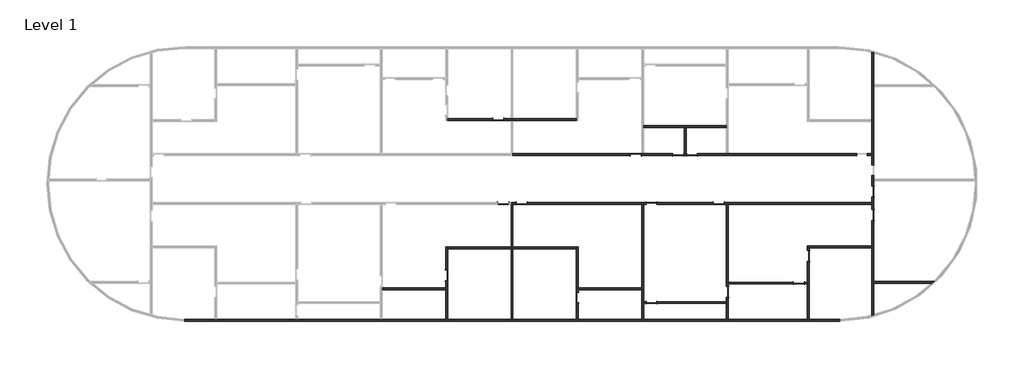
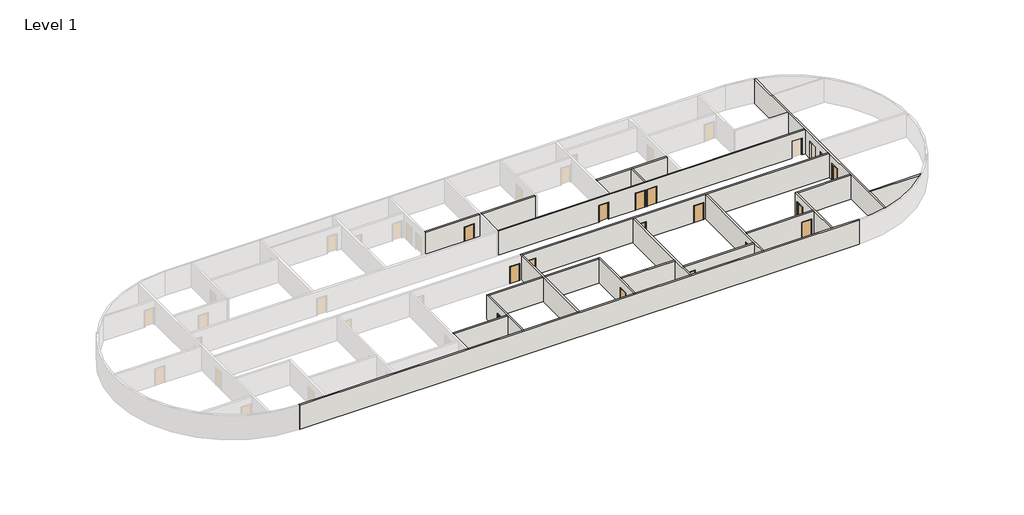
# One storey, part 2 of 3: 22 walls, 16 doors.
"""IFC4 building model written with IfcOpenShell, lengths in millimetres."""

import ifcopenshell
import ifcopenshell.guid

model = None  # the IFC model being written
_history = None  # IfcOwnerHistory: only IFC2X3 demands one
_inside = {}  # id of a spatial element -> (the spatial element, [elements in it])
_under = {}  # id of a project, library or spatial element -> (it, [spatial elements below it])
_declared = {}  # id of a project -> (the project, [libraries it declares])
_typed = {}  # id of a type object -> (the type object, [elements of that type])
_made_of = {}  # id of a material, layer set ... -> (it, [elements and type objects made of it])


def new_model(schema):
    """Start an empty IFC model of exactly this schema.

    Asked for "IFC4X3", IfcOpenShell would pick the latest addendum, in which some entities
    have other attributes; the version numbers below select the first issue.
    IFC2X3 requires an IfcOwnerHistory on every rooted entity: one is made here for all.
    """
    global model, _history
    if schema == "IFC4X3":
        model = ifcopenshell.file(schema_version=(4, 3, 0, 0))
    else:
        model = ifcopenshell.file(schema=schema)
    _inside.clear()
    _under.clear()
    _declared.clear()
    _typed.clear()
    _made_of.clear()
    _history = None
    if model.schema == "IFC2X3":
        org = make("IfcOrganization", Name="unknown")
        user = make(
            "IfcPersonAndOrganization",
            ThePerson=make("IfcPerson", FamilyName="unknown"),
            TheOrganization=org,
        )
        app = make(
            "IfcApplication",
            ApplicationDeveloper=org,
            Version="unknown",
            ApplicationFullName="unknown",
            ApplicationIdentifier="unknown",
        )
        _history = make(
            "IfcOwnerHistory",
            OwningUser=user,
            OwningApplication=app,
            ChangeAction="ADDED",
            CreationDate=0,
        )
    return model


def make(cls, **values):
    """One entity of the class cls with the attributes given. An attribute that is None is left unset."""
    return model.create_entity(
        cls, **{name: value for name, value in values.items() if value is not None}
    )


def rooted(cls, **values):
    """An entity with a GlobalId (a new one), such as an element, a storey or a relation."""
    return make(cls, GlobalId=ifcopenshell.guid.new(), OwnerHistory=_history, **values)


def si_unit(unit_type, name, prefix=None):
    """IfcSIUnit, for example si_unit("LENGTHUNIT", "METRE", prefix="MILLI")."""
    return make("IfcSIUnit", UnitType=unit_type, Prefix=prefix, Name=name)


def assignment(units):
    """IfcUnitAssignment: the units of a project."""
    return None if units is None else make("IfcUnitAssignment", Units=units)


def point(xyz):
    """IfcCartesianPoint."""
    return None if xyz is None else make("IfcCartesianPoint", Coordinates=xyz)


def direction(xyz):
    """IfcDirection."""
    return None if xyz is None else make("IfcDirection", DirectionRatios=xyz)


def frame(location, z_axis=None, x_axis=None):
    """IfcAxis2Placement3D, a coordinate frame: its origin and axes. An axis left out is left unset."""
    return make(
        "IfcAxis2Placement3D",
        Location=point(location),
        Axis=direction(z_axis),
        RefDirection=direction(x_axis),
    )


def frame_2d(location, x_axis=None):
    """IfcAxis2Placement2D, a coordinate frame in the plane: its origin and x axis."""
    return make(
        "IfcAxis2Placement2D", Location=point(location), RefDirection=direction(x_axis)
    )


def origin():
    """The frame at (0, 0, 0) with its axes left unset."""
    return frame((0.0, 0.0, 0.0))


def origin_with_axes():
    """The frame at (0, 0, 0) with the z axis (0, 0, 1) and the x axis (1, 0, 0) written out."""
    return frame((0.0, 0.0, 0.0), z_axis=(0.0, 0.0, 1.0), x_axis=(1.0, 0.0, 0.0))


def place(relative_to, where):
    """IfcLocalPlacement: puts the frame where relative to a parent placement (None: the world)."""
    return make(
        "IfcLocalPlacement", PlacementRelTo=relative_to, RelativePlacement=where
    )


def context(
    kind, dimensions, precision=None, world=None, true_north=None, identifier=None
):
    """IfcGeometricRepresentationContext, for example the 3D "Model" context."""
    return make(
        "IfcGeometricRepresentationContext",
        ContextIdentifier=identifier,
        ContextType=kind,
        CoordinateSpaceDimension=dimensions,
        Precision=precision,
        WorldCoordinateSystem=world,
        TrueNorth=true_north,
    )


def project(units=None, contexts=None):
    """IfcProject with its units and contexts."""
    return rooted(
        "IfcProject",
        Name="project",
        RepresentationContexts=contexts,
        UnitsInContext=assignment(units),
    )


def spatial(cls, under=None, at=None, **own):
    """A site, building, storey or space (cls), placed at a placement, below another one or the project."""
    s = rooted(cls, ObjectPlacement=at, **own)
    if under is not None:
        _under.setdefault(under.id(), (under, []))[1].append(s)
    return s


def polyline(points):
    """IfcPolyline through the points."""
    return make("IfcPolyline", Points=[point(p) for p in points])


def circle_curve(where, radius):
    """IfcCircle in the frame where."""
    return make("IfcCircle", Position=where, Radius=radius)


def trimmed(basis, trim1, trim2, sense, master):
    """IfcTrimmedCurve: the piece of a basis curve between two trims."""
    return make(
        "IfcTrimmedCurve",
        BasisCurve=basis,
        Trim1=trim1,
        Trim2=trim2,
        SenseAgreement=sense,
        MasterRepresentation=master,
    )


def segment(curve, same_sense, transition):
    """IfcCompositeCurveSegment."""
    return make(
        "IfcCompositeCurveSegment",
        Transition=transition,
        SameSense=same_sense,
        ParentCurve=curve,
    )


def composite_curve(segments, self_intersect=None):
    """IfcCompositeCurve: segments joined end to end."""
    return make("IfcCompositeCurve", Segments=segments, SelfIntersect=self_intersect)


def outline(outer, holes=None, kind="AREA"):
    """IfcArbitraryClosedProfileDef: a profile drawn as a closed curve; with holes, ...WithVoids."""
    if holes is None:
        return make("IfcArbitraryClosedProfileDef", ProfileType=kind, OuterCurve=outer)
    return make(
        "IfcArbitraryProfileDefWithVoids",
        ProfileType=kind,
        OuterCurve=outer,
        InnerCurves=holes,
    )


def extrude(swept, where, along, depth):
    """IfcExtrudedAreaSolid: the profile swept, set in the frame where, extruded along a direction by depth."""
    return make(
        "IfcExtrudedAreaSolid",
        SweptArea=swept,
        Position=where,
        ExtrudedDirection=direction(along),
        Depth=depth,
    )


def faces_of(points, faces, orient=None, outer=None):
    """IfcFace entities. A face is a list of loops; a loop is a list of indices into points, from 0.

    orient and outer hold one flag for each loop. By default every Orientation is true, the
    first loop of a face is its IfcFaceOuterBound and the others are IfcFaceBound.
    """
    made = []
    for i, loops in enumerate(faces):
        bounds = []
        for j, loop in enumerate(loops):
            is_outer = j == 0 if outer is None else outer[i][j]
            bounds.append(
                make(
                    "IfcFaceOuterBound" if is_outer else "IfcFaceBound",
                    Bound=make("IfcPolyLoop", Polygon=[points[k] for k in loop]),
                    Orientation=True if orient is None else orient[i][j],
                )
            )
        made.append(make("IfcFace", Bounds=bounds))
    return made


def faceted_brep(points, faces, orient=None, outer=None, voids=None):
    """IfcFacetedBrep: a solid bounded by flat faces; with voids (closed shells), ...WithVoids."""
    shared = [point(p) for p in points]
    hull = make("IfcClosedShell", CfsFaces=faces_of(shared, faces, orient, outer))
    if voids is None:
        return make("IfcFacetedBrep", Outer=hull)
    return make(
        "IfcFacetedBrepWithVoids",
        Outer=hull,
        Voids=[
            make(cls, CfsFaces=faces_of(shared, fs, o, b)) for cls, fs, o, b in voids
        ],
    )


def shape(context_of_items, identifier, shape_type, items):
    """IfcShapeRepresentation: the items that make up one representation, for example the "Body"."""
    return make(
        "IfcShapeRepresentation",
        ContextOfItems=context_of_items,
        RepresentationIdentifier=identifier,
        RepresentationType=shape_type,
        Items=items,
    )


def source(mapping_origin, context_of_items, identifier, shape_type, items):
    """IfcRepresentationMap: a shape defined once, which mapped items show again and again."""
    return make(
        "IfcRepresentationMap",
        MappingOrigin=mapping_origin,
        MappedRepresentation=shape(context_of_items, identifier, shape_type, items),
    )


def transform(
    local_origin,
    x_axis=None,
    y_axis=None,
    z_axis=None,
    scale=None,
    scale2=None,
    scale3=None,
    uniform=True,
):
    """IfcCartesianTransformationOperator3D, or its non-uniform kind. x_axis, y_axis, z_axis: its Axis1, 2, 3."""
    if uniform:
        return make(
            "IfcCartesianTransformationOperator3D",
            Axis1=direction(x_axis),
            Axis2=direction(y_axis),
            LocalOrigin=point(local_origin),
            Scale=scale,
            Axis3=direction(z_axis),
        )
    return make(
        "IfcCartesianTransformationOperator3DnonUniform",
        Axis1=direction(x_axis),
        Axis2=direction(y_axis),
        LocalOrigin=point(local_origin),
        Scale=scale,
        Axis3=direction(z_axis),
        Scale2=scale2,
        Scale3=scale3,
    )


def mapped(mapping_source, mapping_target):
    """IfcMappedItem: shows the shape of a source again, moved by a transform."""
    return make(
        "IfcMappedItem", MappingSource=mapping_source, MappingTarget=mapping_target
    )


def made_of(thing, what):
    """Note that an element or type object is made of a material, layer set ...; save() writes the relation."""
    if what is not None:
        _made_of.setdefault(what.id(), (what, []))[1].append(thing)
    return thing


def element(
    cls,
    number,
    at=None,
    inside=None,
    cuts=None,
    type_object=None,
    material=None,
    context=None,
    identifier="Body",
    shape_type=None,
    held_by="IfcProductDefinitionShape",
    body=None,
    shapes=None,
    **own,
):
    """One element of the class cls, such as IfcWall. Its Tag is "e" and its number.

    at: its placement. inside: the storey or other place that contains it. cuts: it is an
    opening in that element (IfcRelVoidsElement). A single representation is given by context,
    identifier, shape_type and body (its items); several are given by shapes. held_by: the class
    of the entity that holds the representations. save() writes the other relations.
    """
    e = rooted(cls, Tag="e%d" % number, ObjectPlacement=at, **own)
    if body is not None:
        shapes = [shape(context, identifier, shape_type, body)]
    if shapes is not None:
        e.Representation = make(held_by, Representations=shapes)
    if inside is not None:
        _inside.setdefault(inside.id(), (inside, []))[1].append(e)
    if cuts is not None:
        rooted(
            "IfcRelVoidsElement", RelatingBuildingElement=cuts, RelatedOpeningElement=e
        )
    if type_object is not None:
        _typed.setdefault(type_object.id(), (type_object, []))[1].append(e)
    return made_of(e, material)


def aggregate(whole, parts):
    """IfcRelAggregates: a whole, such as a stair, and the parts it consists of."""
    return rooted("IfcRelAggregates", RelatingObject=whole, RelatedObjects=parts)


def save(model, path):
    """Write the relations noted so far, then the file.

    IfcRelAggregates (storeys below a building ...), IfcRelContainedInSpatialStructure (elements
    in a storey), IfcRelDefinesByType, IfcRelAssociatesMaterial and IfcRelDeclares: one each for
    every whole, place, type object, material and project.
    """
    for whole, parts in _under.values():
        aggregate(whole, parts)
    for where, things in _inside.values():
        rooted(
            "IfcRelContainedInSpatialStructure",
            RelatedElements=things,
            RelatingStructure=where,
        )
    for kind, things in _typed.values():
        rooted("IfcRelDefinesByType", RelatedObjects=things, RelatingType=kind)
    for what, things in _made_of.values():
        rooted("IfcRelAssociatesMaterial", RelatedObjects=things, RelatingMaterial=what)
    for by, libraries in _declared.values():
        rooted("IfcRelDeclares", RelatingContext=by, RelatedDefinitions=libraries)
    model.write(path)


def plane_surface(at):
    """IfcPlane: the flat surface through the origin of the frame at, square to its z axis."""
    return make("IfcPlane", Position=at)


def cylinder_surface(at, radius):
    """IfcCylindricalSurface: all points at the distance radius from the z axis of the frame at."""
    return make("IfcCylindricalSurface", Position=at, Radius=radius)


def advanced_brep(points, edges, surfaces, faces):
    """IfcAdvancedBrep: a solid bounded by faces that lie on surfaces and meet in shared edges.

    An edge is (start, end): straight between two places in points (the first is 0);
    or (start, end, curve); or (start, end, curve, False) where it runs against its curve.
    A face is (place in surfaces, loops), or (place, loops, False) where it looks against
    its surface's normal. A loop lists edges by number (the first is 1), with a minus sign
    where the edge is run from its end to its start. The first loop is the outer one.
    """
    corners = [point(p) for p in points]
    vertices = [make("IfcVertexPoint", VertexGeometry=c) for c in corners]
    made = []
    for start, end, *more in edges:
        made.append(
            make(
                "IfcEdgeCurve",
                EdgeStart=vertices[start],
                EdgeEnd=vertices[end],
                EdgeGeometry=more[0] if more else make("IfcPolyline", Points=[corners[start], corners[end]]),
                SameSense=more[1] if len(more) > 1 else True,
            )
        )
    hull = []
    for where, loops, *sense in faces:
        bounds = []
        for j, loop in enumerate(loops):
            ring = [make("IfcOrientedEdge", EdgeElement=made[abs(k) - 1], Orientation=k > 0) for k in loop]
            bounds.append(
                make(
                    "IfcFaceOuterBound" if j == 0 else "IfcFaceBound",
                    Bound=make("IfcEdgeLoop", EdgeList=ring),
                    Orientation=True,
                )
            )
        hull.append(make("IfcAdvancedFace", Bounds=bounds, FaceSurface=surfaces[where], SameSense=sense[0] if sense else True))
    return make("IfcAdvancedBrep", Outer=make("IfcClosedShell", CfsFaces=hull))


def door_1100x2100_mm_18792538(model_context):
    return source(origin(), model_context, "Body", "SweptSolid", [
        extrude(outline(polyline([(2150.0, -600.0), (0.0, -600.0), (0.0, -550.0), (2100.0, -550.0), (2100.0, 550.0), (0.0, 550.0), (0.0, 600.0), (2150.0, 600.0), (2150.0, -600.0)])), frame((0.0, 101.6, 0.0), z_axis=(0.0, 1.0, 0.0), x_axis=(0.0, 0.0, 1.0)), (0.0, 0.0, 1.0), 25.0),
        extrude(outline(polyline([(2150.0, 600.0), (2150.0, -600.0), (0.0, -600.0), (0.0, -550.0), (2100.0, -550.0), (2100.0, 550.0), (0.0, 550.0), (0.0, 600.0), (2150.0, 600.0)])), frame((0.0, -126.6, 0.0), z_axis=(0.0, 1.0, 0.0), x_axis=(0.0, 0.0, 1.0)), (0.0, 0.0, 1.0), 25.0),
        extrude(outline(polyline([(550.0, 50.6), (-550.0, 50.6), (-550.0, 101.6), (550.0, 101.6), (550.0, 50.6)])), origin_with_axes(), (0.0, 0.0, 1.0), 2100.0),
    ])


def door_1100x2100_mm_00e273c1(model_context):
    return source(origin(), model_context, "Body", "SweptSolid", [
        extrude(outline(polyline([(2150.0, -600.0), (0.0, -600.0), (0.0, -550.0), (2100.0, -550.0), (2100.0, 550.0), (0.0, 550.0), (0.0, 600.0), (2150.0, 600.0), (2150.0, -600.0)])), frame((0.0, -126.6, 0.0), z_axis=(0.0, 1.0, 0.0), x_axis=(0.0, 0.0, 1.0)), (0.0, 0.0, 1.0), 25.0),
        extrude(outline(polyline([(2150.0, 600.0), (2150.0, -600.0), (0.0, -600.0), (0.0, -550.0), (2100.0, -550.0), (2100.0, 550.0), (0.0, 550.0), (0.0, 600.0), (2150.0, 600.0)])), frame((0.0, 101.6, 0.0), z_axis=(0.0, 1.0, 0.0), x_axis=(0.0, 0.0, 1.0)), (0.0, 0.0, 1.0), 25.0),
        extrude(outline(polyline([(550.0, -50.6), (550.0, -101.6), (-550.0, -101.6), (-550.0, -50.6), (550.0, -50.6)])), origin_with_axes(), (0.0, 0.0, 1.0), 2100.0),
    ])


model = new_model("IFC4")

# Units and contexts
model_context = context("Model", 3, world=origin())
ifc_project = project(units=[si_unit("LENGTHUNIT", "METRE", prefix="MILLI")], contexts=[model_context])

# Site, building, storey
site = spatial("IfcSite", under=ifc_project)
building = spatial("IfcBuilding", under=site)
storey = spatial("IfcBuildingStorey", under=building, Name="Level 1", Elevation=0.0)

# Doors
placement = place(None, origin())
door_1100x2100_mm_shape = door_1100x2100_mm_18792538(model_context)
element("IfcDoor", 1, ObjectType="1100X2100 mm", at=placement, inside=storey, context=model_context, shape_type="MappedRepresentation", body=[
    mapped(door_1100x2100_mm_shape, transform((28618.0048077, -4482.971418, 0.0), x_axis=(-1.0, 0.0, 0.0), y_axis=(0.0, -1.0, 0.0), z_axis=(0.0, 0.0, 1.0))),
])
element("IfcDoor", 2, ObjectType="1100X2100 mm", at=placement, inside=storey, context=model_context, shape_type="MappedRepresentation", body=[
    mapped(door_1100x2100_mm_shape, transform((22868.0048077, -4482.971418, 0.0), x_axis=(1.0, 0.0, 0.0), y_axis=(0.0, 1.0, 0.0), z_axis=(0.0, 0.0, 1.0))),
])
element("IfcDoor", 3, ObjectType="1100X2100 mm", at=placement, inside=storey, context=model_context, shape_type="MappedRepresentation", body=[
    mapped(door_1100x2100_mm_shape, transform((32268.0048077, -18582.971418, 0.0), x_axis=(0.0, -1.0, 0.0), y_axis=(1.0, 0.0, 0.0), z_axis=(0.0, 0.0, 1.0))),
])
element("IfcDoor", 4, ObjectType="1100X2100 mm", at=placement, inside=storey, context=model_context, shape_type="MappedRepresentation", body=[
    mapped(door_1100x2100_mm_shape, transform((11168.0048077, -9482.971418, 0.0), x_axis=(-1.0, 0.0, 0.0), y_axis=(0.0, -1.0, 0.0), z_axis=(0.0, 0.0, 1.0))),
])
element("IfcDoor", 5, ObjectType="1100X2100 mm", at=placement, inside=storey, context=model_context, shape_type="MappedRepresentation", body=[
    mapped(door_1100x2100_mm_shape, transform((24468.0048077, -9482.971418, 0.0), x_axis=(1.0, 0.0, 0.0), y_axis=(0.0, 1.0, 0.0), z_axis=(0.0, 0.0, 1.0))),
])
element("IfcDoor", 6, ObjectType="1100X2100 mm", at=placement, inside=storey, context=model_context, shape_type="MappedRepresentation", body=[
    mapped(door_1100x2100_mm_shape, transform((24468.0048077, -19682.971418, 0.0), x_axis=(-1.0, 0.0, 0.0), y_axis=(0.0, -1.0, 0.0), z_axis=(0.0, 0.0, 1.0))),
])
door_1100x2100_mm_2_shape = door_1100x2100_mm_00e273c1(model_context)
element("IfcDoor", 7, ObjectType="1100X2100 mm", at=placement, inside=storey, context=model_context, shape_type="MappedRepresentation", body=[
    mapped(door_1100x2100_mm_2_shape, transform((47168.0048077, -8282.971418, 0.0), x_axis=(0.0, 1.0, 0.0), y_axis=(-1.0, 0.0, 0.0), z_axis=(0.0, 0.0, 1.0))),
])
element("IfcDoor", 8, ObjectType="1100X2100 mm", at=placement, inside=storey, context=model_context, shape_type="MappedRepresentation", body=[
    mapped(door_1100x2100_mm_2_shape, transform((27218.0048077, -4482.971418, 0.0), x_axis=(1.0, 0.0, 0.0), y_axis=(0.0, 1.0, 0.0), z_axis=(0.0, 0.0, 1.0))),
])
element("IfcDoor", 9, ObjectType="1100X2100 mm", at=placement, inside=storey, context=model_context, shape_type="MappedRepresentation", body=[
    mapped(door_1100x2100_mm_2_shape, transform((47168.0048077, -10682.971418, 0.0), x_axis=(0.0, 1.0, 0.0), y_axis=(-1.0, 0.0, 0.0), z_axis=(0.0, 0.0, 1.0))),
])
element("IfcDoor", 10, ObjectType="1100X2100 mm", at=placement, inside=storey, context=model_context, shape_type="MappedRepresentation", body=[
    mapped(door_1100x2100_mm_2_shape, transform((16868.0048077, -19182.971418, 0.0), x_axis=(0.0, -1.0, 0.0), y_axis=(1.0, 0.0, 0.0), z_axis=(0.0, 0.0, 1.0))),
])
element("IfcDoor", 11, ObjectType="1100X2100 mm", at=placement, inside=storey, context=model_context, shape_type="MappedRepresentation", body=[
    mapped(door_1100x2100_mm_2_shape, transform((3468.0048077, -16882.971418, 0.0), x_axis=(0.0, 1.0, 0.0), y_axis=(-1.0, 0.0, 0.0), z_axis=(0.0, 0.0, 1.0))),
])
element("IfcDoor", 12, ObjectType="1100X2100 mm", at=placement, inside=storey, context=model_context, shape_type="MappedRepresentation", body=[
    mapped(door_1100x2100_mm_2_shape, transform((9268.0048077, -9482.971418, 0.0), x_axis=(1.0, 0.0, 0.0), y_axis=(0.0, 1.0, 0.0), z_axis=(0.0, 0.0, 1.0))),
])
element("IfcDoor", 13, ObjectType="1100X2100 mm", at=placement, inside=storey, context=model_context, shape_type="MappedRepresentation", body=[
    mapped(door_1100x2100_mm_2_shape, transform((31368.0048077, -9482.971418, 0.0), x_axis=(1.0, 0.0, 0.0), y_axis=(0.0, 1.0, 0.0), z_axis=(0.0, 0.0, 1.0))),
])
element("IfcDoor", 14, ObjectType="1100X2100 mm", at=placement, inside=storey, context=model_context, shape_type="MappedRepresentation", body=[
    mapped(door_1100x2100_mm_2_shape, transform((40568.0048077, -14882.971418, 0.0), x_axis=(0.0, 1.0, 0.0), y_axis=(-1.0, 0.0, 0.0), z_axis=(0.0, 0.0, 1.0))),
])
element("IfcDoor", 15, ObjectType="1100X2100 mm", at=placement, inside=storey, context=model_context, shape_type="MappedRepresentation", body=[
    mapped(door_1100x2100_mm_2_shape, transform((39568.0048077, -17682.971418, 0.0), x_axis=(1.0, 0.0, 0.0), y_axis=(0.0, 1.0, 0.0), z_axis=(0.0, 0.0, 1.0))),
])
element("IfcDoor", 16, ObjectType="1100X2100 mm", at=placement, inside=storey, context=model_context, shape_type="MappedRepresentation", body=[
    mapped(door_1100x2100_mm_2_shape, transform((8768.0048077, -882.971418, 0.0), x_axis=(1.0, 0.0, 0.0), y_axis=(0.0, 1.0, 0.0), z_axis=(0.0, 0.0, 1.0))),
])

# Walls
element("IfcWall", 17, ObjectType="Generic - 8\"", at=placement, inside=storey, context=model_context, shape_type="Brep", body=[
    faceted_brep([(43802.5507202, -21381.371418, 0.0), (40669.6048077, -21381.371418, 0.0), (40466.4048077, -21381.371418, 0.0), (32369.6048077, -21381.371418, 0.0), (32166.4048077, -21381.371418, 0.0), (23669.6048077, -21381.371418, 0.0), (23466.4048077, -21381.371418, 0.0), (16969.6048077, -21381.371418, 0.0), (16766.4048077, -21381.371418, 0.0), (10269.6048077, -21381.371418, 0.0), (10066.4048077, -21381.371418, 0.0), (3569.6048077, -21381.371418, 0.0), (3366.4048077, -21381.371418, 0.0), (-3130.3951923, -21381.371418, 0.0), (-3333.5951923, -21381.371418, 0.0), (-11830.3951923, -21381.371418, 0.0), (-12033.5951923, -21381.371418, 0.0), (-20110.3951923, -21381.371418, 0.0), (-20313.5951923, -21381.371418, 0.0), (-23466.5411049, -21381.371418, 0.0), (-23466.5411049, -21381.371418, 3048.0), (-20313.5951923, -21381.371418, 3048.0), (-20110.3951923, -21381.371418, 3048.0), (-12033.5951923, -21381.371418, 3048.0), (-11830.3951923, -21381.371418, 3048.0), (-3333.5951923, -21381.371418, 3048.0), (-3130.3951923, -21381.371418, 3048.0), (3366.4048077, -21381.371418, 3048.0), (3569.6048077, -21381.371418, 3048.0), (10066.4048077, -21381.371418, 3048.0), (10269.6048077, -21381.371418, 3048.0), (16766.4048077, -21381.371418, 3048.0), (16969.6048077, -21381.371418, 3048.0), (23466.4048077, -21381.371418, 3048.0), (23669.6048077, -21381.371418, 3048.0), (32166.4048077, -21381.371418, 3048.0), (32369.6048077, -21381.371418, 3048.0), (40466.4048077, -21381.371418, 3048.0), (40669.6048077, -21381.371418, 3048.0), (43802.5507202, -21381.371418, 3048.0), (43802.5507202, -21584.571418, 0.0), (43802.5507202, -21584.571418, 3048.0), (-23466.5411049, -21584.571418, 3048.0), (-23466.5411049, -21584.571418, 0.0)], [[[0, 1, 2, 3, 4, 5, 6, 7, 8, 9, 10, 11, 12, 13, 14, 15, 16, 17, 18, 19, 20, 21, 22, 23, 24, 25, 26, 27, 28, 29, 30, 31, 32, 33, 34, 35, 36, 37, 38, 39]], [[40, 41, 42, 43]], [[19, 18, 17, 16, 15, 14, 13, 12, 11, 10, 9, 8, 7, 6, 5, 4, 3, 2, 1, 0, 40, 43]], [[20, 19, 43, 42]], [[39, 38, 37, 36, 35, 34, 33, 32, 31, 30, 29, 28, 27, 26, 25, 24, 23, 22, 21, 20, 42, 41]], [[0, 39, 41, 40]]]),
])
element("IfcWall", 18, ObjectType="Generic - 8\"", at=placement, inside=storey, context=model_context, shape_type="Brep", body=[
    faceted_brep([(23418.0048077, -4584.571418, 2100.0), (23418.0048077, -4584.571418, 0.0), (26668.0048077, -4584.571418, 0.0), (26668.0048077, -4584.571418, 2100.0), (27768.0048077, -4584.571418, 2100.0), (27768.0048077, -4584.571418, 0.0), (28068.0048077, -4584.571418, 0.0), (28068.0048077, -4584.571418, 2100.0), (29168.0048077, -4584.571418, 2100.0), (29168.0048077, -4584.571418, 0.0), (45518.0048077, -4584.571418, 0.0), (45518.0048077, -4584.571418, 2100.0), (46618.0048077, -4584.571418, 2100.0), (46618.0048077, -4584.571418, 0.0), (47066.4048077, -4584.571418, 0.0), (47066.4048077, -4584.571418, 3048.0), (10269.6048077, -4584.571418, 3048.0), (10269.6048077, -4584.571418, 0.0), (22318.0048077, -4584.571418, 0.0), (22318.0048077, -4584.571418, 2100.0), (26668.0048077, -4381.371418, 0.0), (23669.6048077, -4381.371418, 0.0), (23466.4048077, -4381.371418, 0.0), (23418.0048077, -4381.371418, 0.0), (23418.0048077, -4381.371418, 2100.0), (22318.0048077, -4381.371418, 2100.0), (22318.0048077, -4381.371418, 0.0), (10269.6048077, -4381.371418, 0.0), (10269.6048077, -4381.371418, 3048.0), (23466.4048077, -4381.371418, 3048.0), (23669.6048077, -4381.371418, 3048.0), (27816.4048077, -4381.371418, 3048.0), (28019.6048077, -4381.371418, 3048.0), (32166.4048077, -4381.371418, 3048.0), (32369.6048077, -4381.371418, 3048.0), (47066.4048077, -4381.371418, 3048.0), (47066.4048077, -4381.371418, 0.0), (46618.0048077, -4381.371418, 0.0), (46618.0048077, -4381.371418, 2100.0), (45518.0048077, -4381.371418, 2100.0), (45518.0048077, -4381.371418, 0.0), (32369.6048077, -4381.371418, 0.0), (32166.4048077, -4381.371418, 0.0), (29168.0048077, -4381.371418, 0.0), (29168.0048077, -4381.371418, 2100.0), (28068.0048077, -4381.371418, 2100.0), (28068.0048077, -4381.371418, 0.0), (28019.6048077, -4381.371418, 0.0), (27816.4048077, -4381.371418, 0.0), (27768.0048077, -4381.371418, 0.0), (27768.0048077, -4381.371418, 2100.0), (26668.0048077, -4381.371418, 2100.0)], [[[0, 1, 2, 3, 4, 5, 6, 7, 8, 9, 10, 11, 12, 13, 14, 15, 16, 17, 18, 19]], [[20, 21, 22, 23, 24, 25, 26, 27, 28, 29, 30, 31, 32, 33, 34, 35, 36, 37, 38, 39, 40, 41, 42, 43, 44, 45, 46, 47, 48, 49, 50, 51]], [[14, 13, 37, 36]], [[43, 42, 41, 40, 10, 9]], [[49, 48, 47, 46, 6, 5]], [[18, 17, 27, 26]], [[2, 1, 23, 22, 21, 20]], [[16, 15, 35, 34, 33, 32, 31, 30, 29, 28]], [[15, 14, 36, 35]], [[17, 16, 28, 27]], [[38, 37, 13, 12]], [[39, 38, 12, 11]], [[40, 39, 11, 10]], [[50, 49, 5, 4]], [[51, 50, 4, 3]], [[20, 51, 3, 2]], [[7, 6, 46, 45]], [[8, 7, 45, 44]], [[9, 8, 44, 43]], [[24, 23, 1, 0]], [[25, 24, 0, 19]], [[26, 25, 19, 18]]]),
])
element("IfcWall", 19, ObjectType="Generic - 8\"", at=placement, inside=storey, context=model_context, shape_type="AdvancedBrep", body=[
    advanced_brep(
    [(47066.4048077, -8832.971418, 0.0), (47066.4048077, -9381.371418, 0.0), (47066.4048077, -9584.571418, 0.0), (47066.4048077, -10132.971418, 0.0), (47066.4048077, -10132.971418, 2100.0), (47066.4048077, -11232.971418, 2100.0), (47066.4048077, -11232.971418, 0.0), (47066.4048077, -13881.371418, 0.0), (47066.4048077, -14084.571418, 0.0), (47066.4048077, -20992.7004699, 0.0), (47066.4048077, -20992.7004699, 3048.0), (47066.4048077, -14084.571418, 3048.0), (47066.4048077, -13881.371418, 3048.0), (47066.4048077, -9584.571418, 3048.0), (47066.4048077, -9381.371418, 3048.0), (47066.4048077, -4584.571418, 3048.0), (47066.4048077, -4381.371418, 3048.0), (47066.4048077, -1084.571418, 3048.0), (47066.4048077, -881.371418, 3048.0), (47066.4048077, 6026.7576339, 3048.0), (47066.4048077, 6026.7576339, 0.0), (47066.4048077, -881.371418, 0.0), (47066.4048077, -1084.571418, 0.0), (47066.4048077, -4381.371418, 0.0), (47066.4048077, -4584.571418, 0.0), (47066.4048077, -5532.971418, 0.0), (47066.4048077, -5532.971418, 2100.0), (47066.4048077, -6632.971418, 2100.0), (47066.4048077, -6632.971418, 0.0), (47066.4048077, -7732.971418, 0.0), (47066.4048077, -7732.971418, 2100.0), (47066.4048077, -8832.971418, 2100.0), (47269.6048077, -10132.971418, 2100.0), (47269.6048077, -10132.971418, 0.0), (47269.6048077, -8832.971418, 0.0), (47269.6048077, -8832.971418, 2100.0), (47269.6048077, -7732.971418, 2100.0), (47269.6048077, -7732.971418, 0.0), (47269.6048077, -7184.571418, 0.0), (47269.6048077, -6981.371418, 0.0), (47269.6048077, -6632.971418, 0.0), (47269.6048077, -6632.971418, 2100.0), (47269.6048077, -5532.971418, 2100.0), (47269.6048077, -5532.971418, 0.0), (47269.6048077, 2515.428582, 0.0), (47269.6048077, 2718.628582, 0.0), (47269.6048077, 5976.0426066, 0.0), (47269.6048077, 5976.0426066, 3048.0), (47269.6048077, 2718.628582, 3048.0), (47269.6048077, 2515.428582, 3048.0), (47269.6048077, -6981.371418, 3048.0), (47269.6048077, -7184.571418, 3048.0), (47269.6048077, -17481.371418, 3048.0), (47269.6048077, -17684.571418, 3048.0), (47269.6048077, -20941.9854426, 3048.0), (47269.6048077, -20941.9854426, 0.0), (47269.6048077, -17684.571418, 0.0), (47269.6048077, -17481.371418, 0.0), (47269.6048077, -11232.971418, 0.0), (47269.6048077, -11232.971418, 2100.0)],
    [
        (0, 1),
        (1, 2),
        (2, 3),
        (3, 4),
        (4, 5),
        (5, 6),
        (6, 7),
        (7, 8),
        (8, 9),
        (9, 10),
        (10, 11),
        (11, 12),
        (12, 13),
        (13, 14),
        (14, 15),
        (15, 16),
        (16, 17),
        (17, 18),
        (18, 19),
        (19, 20),
        (20, 21),
        (21, 22),
        (22, 23),
        (23, 24),
        (24, 25),
        (25, 26),
        (26, 27),
        (27, 28),
        (28, 29),
        (29, 30),
        (30, 31),
        (31, 0),
        (32, 33),
        (33, 34),
        (34, 35),
        (35, 36),
        (36, 37),
        (37, 38),
        (38, 39),
        (39, 40),
        (40, 41),
        (41, 42),
        (42, 43),
        (43, 44),
        (44, 45),
        (45, 46),
        (46, 47),
        (47, 48),
        (48, 49),
        (49, 50),
        (50, 51),
        (51, 52),
        (52, 53),
        (53, 54),
        (54, 55),
        (55, 56),
        (56, 57),
        (57, 58),
        (58, 59),
        (59, 32),
        (20, 46, circle_curve(frame((43802.5507202, -7482.971418, 0.0), z_axis=(0.0, 0.0, -1.0), x_axis=(1.0, 0.0, 0.0)), 13898.4)),
        (43, 25),
        (37, 29),
        (28, 40),
        (33, 3),
        (0, 34),
        (55, 9, circle_curve(frame((43802.5507202, -7482.971418, 0.0), z_axis=(0.0, 0.0, -1.0), x_axis=(1.0, 0.0, 0.0)), 13898.4)),
        (6, 58),
        (10, 54, circle_curve(frame((43802.5507202, -7482.971418, 3048.0), z_axis=(0.0, 0.0, 1.0), x_axis=(1.0, 0.0, 0.0)), 13898.4)),
        (47, 19, circle_curve(frame((43802.5507202, -7482.971418, 3048.0), z_axis=(0.0, 0.0, 1.0), x_axis=(1.0, 0.0, 0.0)), 13898.4)),
        (27, 41),
        (26, 42),
        (36, 30),
        (35, 31),
        (32, 4),
        (59, 5),
    ],
    [
        plane_surface(frame((47066.4048077, -4482.971418, 0.0), z_axis=(-1.0, 0.0, 0.0), x_axis=(0.0, -1.0, 0.0))),
        plane_surface(frame((47269.6048077, -4482.971418, 0.0), z_axis=(1.0, 0.0, 0.0), x_axis=(0.0, 1.0, 0.0))),
        plane_surface(frame((47066.4048077, 6106.4994615, 0.0), z_axis=(0.0, 0.0, -1.0), x_axis=(1.0, 0.0, 0.0))),
        plane_surface(frame((47066.4048077, -21072.4422975, 3048.0), z_axis=(0.0, 0.0, 1.0), x_axis=(1.0, 0.0, 0.0))),
        cylinder_surface(frame((43802.5507202, -7482.971418, 0.0), z_axis=(0.0, 0.0, -1.0), x_axis=(1.0, 0.0, 0.0)), 13898.4),
        plane_surface(frame((47269.6048077, -6632.971418, 0.0), z_axis=(0.0, 1.0, 0.0), x_axis=(-1.0, 0.0, 0.0))),
        plane_surface(frame((47269.6048077, -6632.971418, 2100.0), z_axis=(0.0, 0.0, -1.0), x_axis=(-1.0, 0.0, 0.0))),
        plane_surface(frame((47269.6048077, -5532.971418, 2100.0), z_axis=(0.0, -1.0, 0.0), x_axis=(-1.0, 0.0, 0.0))),
        plane_surface(frame((47066.4048077, -7732.971418, 0.0), z_axis=(0.0, -1.0, 0.0), x_axis=(1.0, 0.0, 0.0))),
        plane_surface(frame((47066.4048077, -7732.971418, 2100.0), z_axis=(0.0, 0.0, -1.0), x_axis=(1.0, 0.0, 0.0))),
        plane_surface(frame((47066.4048077, -8832.971418, 2100.0), z_axis=(0.0, 1.0, 0.0), x_axis=(1.0, 0.0, 0.0))),
        plane_surface(frame((47066.4048077, -10132.971418, 0.0), z_axis=(0.0, -1.0, 0.0), x_axis=(1.0, 0.0, 0.0))),
        plane_surface(frame((47066.4048077, -10132.971418, 2100.0), z_axis=(0.0, 0.0, -1.0), x_axis=(1.0, 0.0, 0.0))),
        plane_surface(frame((47066.4048077, -11232.971418, 2100.0), z_axis=(0.0, 1.0, 0.0), x_axis=(1.0, 0.0, 0.0))),
    ],
    [
        (0, [[1, 2, 3, 4, 5, 6, 7, 8, 9, 10, 11, 12, 13, 14, 15, 16, 17, 18, 19, 20, 21, 22, 23, 24, 25, 26, 27, 28, 29, 30, 31, 32]]),
        (1, [[33, 34, 35, 36, 37, 38, 39, 40, 41, 42, 43, 44, 45, 46, 47, 48, 49, 50, 51, 52, 53, 54, 55, 56, 57, 58, 59, 60]]),
        (2, [[-25, -24, -23, -22, -21, 61, -46, -45, -44, 62]]),
        (2, [[-40, -39, -38, 63, -29, 64]]),
        (2, [[-34, 65, -3, -2, -1, 66]]),
        (2, [[-58, -57, -56, 67, -9, -8, -7, 68]]),
        (3, [[-19, -18, -17, -16, -15, -14, -13, -12, -11, 69, -54, -53, -52, -51, -50, -49, -48, 70]]),
        (4, [[-20, -70, -47, -61]]),
        (4, [[-10, -67, -55, -69]]),
        (5, [[-41, -64, -28, 71]]),
        (6, [[-42, -71, -27, 72]]),
        (7, [[-43, -72, -26, -62]]),
        (8, [[-30, -63, -37, 73]]),
        (9, [[-31, -73, -36, 74]]),
        (10, [[-32, -74, -35, -66]]),
        (11, [[-4, -65, -33, 75]]),
        (12, [[-5, -75, -60, 76]]),
        (13, [[-6, -76, -59, -68]]),
    ],
),
])
element("IfcWall", 20, ObjectType="Generic - 8\"", at=placement, inside=storey, context=model_context, shape_type="Brep", body=[
    faceted_brep([(47066.4048077, -9381.371418, 0.0), (31918.0048077, -9381.371418, 0.0), (31918.0048077, -9381.371418, 2100.0), (30818.0048077, -9381.371418, 2100.0), (30818.0048077, -9381.371418, 0.0), (25018.0048077, -9381.371418, 0.0), (25018.0048077, -9381.371418, 2100.0), (23918.0048077, -9381.371418, 2100.0), (23918.0048077, -9381.371418, 0.0), (11718.0048077, -9381.371418, 0.0), (11718.0048077, -9381.371418, 2100.0), (10618.0048077, -9381.371418, 2100.0), (10618.0048077, -9381.371418, 0.0), (10269.6048077, -9381.371418, 0.0), (10269.6048077, -9381.371418, 3048.0), (47066.4048077, -9381.371418, 3048.0), (31918.0048077, -9584.571418, 2100.0), (31918.0048077, -9584.571418, 0.0), (32166.4048077, -9584.571418, 0.0), (32369.6048077, -9584.571418, 0.0), (47066.4048077, -9584.571418, 0.0), (47066.4048077, -9584.571418, 3048.0), (32369.6048077, -9584.571418, 3048.0), (32166.4048077, -9584.571418, 3048.0), (23669.6048077, -9584.571418, 3048.0), (23466.4048077, -9584.571418, 3048.0), (10269.6048077, -9584.571418, 3048.0), (10269.6048077, -9584.571418, 0.0), (10618.0048077, -9584.571418, 0.0), (10618.0048077, -9584.571418, 2100.0), (11718.0048077, -9584.571418, 2100.0), (11718.0048077, -9584.571418, 0.0), (23466.4048077, -9584.571418, 0.0), (23669.6048077, -9584.571418, 0.0), (23918.0048077, -9584.571418, 0.0), (23918.0048077, -9584.571418, 2100.0), (25018.0048077, -9584.571418, 2100.0), (25018.0048077, -9584.571418, 0.0), (30818.0048077, -9584.571418, 0.0), (30818.0048077, -9584.571418, 2100.0)], [[[0, 1, 2, 3, 4, 5, 6, 7, 8, 9, 10, 11, 12, 13, 14, 15]], [[16, 17, 18, 19, 20, 21, 22, 23, 24, 25, 26, 27, 28, 29, 30, 31, 32, 33, 34, 35, 36, 37, 38, 39]], [[13, 12, 28, 27]], [[34, 33, 32, 31, 9, 8]], [[38, 37, 5, 4]], [[20, 19, 18, 17, 1, 0]], [[15, 14, 26, 25, 24, 23, 22, 21]], [[0, 15, 21, 20]], [[14, 13, 27, 26]], [[29, 28, 12, 11]], [[30, 29, 11, 10]], [[31, 30, 10, 9]], [[6, 5, 37, 36]], [[7, 6, 36, 35]], [[8, 7, 35, 34]], [[2, 1, 17, 16]], [[3, 2, 16, 39]], [[4, 3, 39, 38]]]),
])
element("IfcWall", 21, ObjectType="Generic - 8\"", at=placement, inside=storey, context=model_context, shape_type="SweptSolid", body=[
    extrude(outline(polyline([(10269.6048077, -781.371418), (16766.4048077, -781.371418), (16766.4048077, -984.571418), (10269.6048077, -984.571418), (10269.6048077, -781.371418)])), origin_with_axes(), (0.0, 0.0, 1.0), 3048.0),
])
element("IfcWall", 22, ObjectType="Generic - 8\"", at=placement, inside=storey, context=model_context, shape_type="SweptSolid", body=[
    extrude(outline(composite_curve([segment(polyline([(53241.4531988, -17684.571418), (47269.6048077, -17684.571418), (47269.6048077, -17481.371418), (53456.4369843, -17481.371418)]), True, "CONTINUOUS"), segment(trimmed(circle_curve(frame_2d((43802.5507202, -7482.971418)), 13898.4), [point((53456.4369843, -17481.371418))], [point((53241.4531988, -17684.571418))], False, "CARTESIAN"), True, "CONTINUOUS")], self_intersect=False)), origin_with_axes(), (0.0, 0.0, 1.0), 3048.0),
])
element("IfcWall", 23, ObjectType="Generic - 8\"", at=placement, inside=storey, context=model_context, shape_type="Brep", body=[
    faceted_brep([(40669.6048077, -14332.971418, 2100.0), (40669.6048077, -14332.971418, 0.0), (40669.6048077, -14084.571418, 0.0), (40669.6048077, -13881.371418, 0.0), (40669.6048077, -13881.371418, 3048.0), (40669.6048077, -14084.571418, 3048.0), (40669.6048077, -21381.371418, 3048.0), (40669.6048077, -21381.371418, 0.0), (40669.6048077, -15432.971418, 0.0), (40669.6048077, -15432.971418, 2100.0), (40466.4048077, -13881.371418, 0.0), (40466.4048077, -14332.971418, 0.0), (40466.4048077, -14332.971418, 2100.0), (40466.4048077, -15432.971418, 2100.0), (40466.4048077, -15432.971418, 0.0), (40466.4048077, -17581.371418, 0.0), (40466.4048077, -17784.571418, 0.0), (40466.4048077, -21381.371418, 0.0), (40466.4048077, -21381.371418, 3048.0), (40466.4048077, -17784.571418, 3048.0), (40466.4048077, -17581.371418, 3048.0), (40466.4048077, -13881.371418, 3048.0)], [[[0, 1, 2, 3, 4, 5, 6, 7, 8, 9]], [[10, 11, 12, 13, 14, 15, 16, 17, 18, 19, 20, 21]], [[8, 7, 17, 16, 15, 14]], [[3, 2, 1, 11, 10]], [[6, 5, 4, 21, 20, 19, 18]], [[4, 3, 10, 21]], [[7, 6, 18, 17]], [[12, 11, 1, 0]], [[13, 12, 0, 9]], [[14, 13, 9, 8]]]),
])
element("IfcWall", 24, ObjectType="Generic - 8\"", at=placement, inside=storey, context=model_context, shape_type="SweptSolid", body=[
    extrude(outline(polyline([(47066.4048077, -14084.571418), (40669.6048077, -14084.571418), (40669.6048077, -13881.371418), (47066.4048077, -13881.371418), (47066.4048077, -14084.571418)])), origin_with_axes(), (0.0, 0.0, 1.0), 3048.0),
])
element("IfcWall", 25, ObjectType="Generic - 8\"", at=placement, inside=storey, context=model_context, shape_type="Brep", body=[
    faceted_brep([(32369.6048077, -21381.371418, 0.0), (32369.6048077, -19132.971418, 0.0), (32369.6048077, -19132.971418, 2100.0), (32369.6048077, -18032.971418, 2100.0), (32369.6048077, -18032.971418, 0.0), (32369.6048077, -17784.571418, 0.0), (32369.6048077, -17581.371418, 0.0), (32369.6048077, -9584.571418, 0.0), (32369.6048077, -9584.571418, 3048.0), (32369.6048077, -17581.371418, 3048.0), (32369.6048077, -17784.571418, 3048.0), (32369.6048077, -21381.371418, 3048.0), (32166.4048077, -19132.971418, 2100.0), (32166.4048077, -19132.971418, 0.0), (32166.4048077, -19581.371418, 0.0), (32166.4048077, -19784.571418, 0.0), (32166.4048077, -21381.371418, 0.0), (32166.4048077, -21381.371418, 3048.0), (32166.4048077, -19784.571418, 3048.0), (32166.4048077, -19581.371418, 3048.0), (32166.4048077, -9584.571418, 3048.0), (32166.4048077, -9584.571418, 0.0), (32166.4048077, -18032.971418, 0.0), (32166.4048077, -18032.971418, 2100.0)], [[[0, 1, 2, 3, 4, 5, 6, 7, 8, 9, 10, 11]], [[12, 13, 14, 15, 16, 17, 18, 19, 20, 21, 22, 23]], [[22, 21, 7, 6, 5, 4]], [[16, 15, 14, 13, 1, 0]], [[11, 10, 9, 8, 20, 19, 18, 17]], [[0, 11, 17, 16]], [[8, 7, 21, 20]], [[2, 1, 13, 12]], [[3, 2, 12, 23]], [[4, 3, 23, 22]]]),
])
element("IfcWall", 26, ObjectType="Generic - 8\"", at=placement, inside=storey, context=model_context, shape_type="SweptSolid", body=[
    extrude(outline(polyline([(0.0, 23669.6048077), (0.0, 23918.0048077), (2100.0, 23918.0048077), (2100.0, 25018.0048077), (0.0, 25018.0048077), (0.0, 32166.4048077), (3048.0, 32166.4048077), (3048.0, 23669.6048077), (0.0, 23669.6048077)])), frame((0.0, -19784.571418, 0.0), z_axis=(0.0, 1.0, 0.0), x_axis=(0.0, 0.0, 1.0)), (0.0, 0.0, 1.0), 203.2),
])
element("IfcWall", 27, ObjectType="Generic - 8\"", at=placement, inside=storey, context=model_context, shape_type="Brep", body=[
    faceted_brep([(23466.4048077, -9584.571418, 0.0), (23466.4048077, -18181.371418, 0.0), (23466.4048077, -18384.571418, 0.0), (23466.4048077, -21381.371418, 0.0), (23466.4048077, -21381.371418, 3048.0), (23466.4048077, -18384.571418, 3048.0), (23466.4048077, -18181.371418, 3048.0), (23466.4048077, -9584.571418, 3048.0), (23669.6048077, -9584.571418, 0.0), (23669.6048077, -9584.571418, 3048.0), (23669.6048077, -19581.371418, 3048.0), (23669.6048077, -19784.571418, 3048.0), (23669.6048077, -21381.371418, 3048.0), (23669.6048077, -21381.371418, 0.0), (23669.6048077, -19784.571418, 0.0), (23669.6048077, -19581.371418, 0.0)], [[[0, 1, 2, 3, 4, 5, 6, 7]], [[8, 9, 10, 11, 12, 13, 14, 15]], [[3, 2, 1, 0, 8, 15, 14, 13]], [[7, 6, 5, 4, 12, 11, 10, 9]], [[4, 3, 13, 12]], [[0, 7, 9, 8]]]),
])
element("IfcWall", 28, ObjectType="Generic - 8\"", at=placement, inside=storey, context=model_context, shape_type="SweptSolid", body=[
    extrude(outline(polyline([(2100.0, 40118.0048077), (0.0, 40118.0048077), (0.0, 40466.4048077), (3048.0, 40466.4048077), (3048.0, 32369.6048077), (0.0, 32369.6048077), (0.0, 39018.0048077), (2100.0, 39018.0048077), (2100.0, 40118.0048077)])), frame((0.0, -17784.571418, 0.0), z_axis=(0.0, 1.0, 0.0), x_axis=(0.0, 0.0, 1.0)), (0.0, 0.0, 1.0), 203.2),
])
element("IfcWall", 29, ObjectType="Generic - 8\"", at=placement, inside=storey, context=model_context, shape_type="Brep", body=[
    faceted_brep([(16969.6048077, -21381.371418, 0.0), (16969.6048077, -19732.971418, 0.0), (16969.6048077, -19732.971418, 2100.0), (16969.6048077, -18632.971418, 2100.0), (16969.6048077, -18632.971418, 0.0), (16969.6048077, -18384.571418, 0.0), (16969.6048077, -18181.371418, 0.0), (16969.6048077, -13981.371418, 0.0), (16969.6048077, -13981.371418, 3048.0), (16969.6048077, -18181.371418, 3048.0), (16969.6048077, -18384.571418, 3048.0), (16969.6048077, -21381.371418, 3048.0), (16766.4048077, -19732.971418, 2100.0), (16766.4048077, -19732.971418, 0.0), (16766.4048077, -21381.371418, 0.0), (16766.4048077, -21381.371418, 3048.0), (16766.4048077, -14184.571418, 3048.0), (16766.4048077, -13981.371418, 3048.0), (16766.4048077, -13981.371418, 0.0), (16766.4048077, -14184.571418, 0.0), (16766.4048077, -18632.971418, 0.0), (16766.4048077, -18632.971418, 2100.0)], [[[0, 1, 2, 3, 4, 5, 6, 7, 8, 9, 10, 11]], [[12, 13, 14, 15, 16, 17, 18, 19, 20, 21]], [[14, 13, 1, 0]], [[20, 19, 18, 7, 6, 5, 4]], [[11, 10, 9, 8, 17, 16, 15]], [[8, 7, 18, 17]], [[0, 11, 15, 14]], [[2, 1, 13, 12]], [[3, 2, 12, 21]], [[4, 3, 21, 20]]]),
])
element("IfcWall", 30, ObjectType="Generic - 8\"", at=placement, inside=storey, context=model_context, shape_type="SweptSolid", body=[
    extrude(outline(polyline([(10269.6048077, -13981.371418), (16766.4048077, -13981.371418), (16766.4048077, -14184.571418), (10269.6048077, -14184.571418), (10269.6048077, -13981.371418)])), origin_with_axes(), (0.0, 0.0, 1.0), 3048.0),
])
element("IfcWall", 31, ObjectType="Generic - 8\"", at=placement, inside=storey, context=model_context, shape_type="SweptSolid", body=[
    extrude(outline(polyline([(23466.4048077, -18384.571418), (16969.6048077, -18384.571418), (16969.6048077, -18181.371418), (23466.4048077, -18181.371418), (23466.4048077, -18384.571418)])), origin_with_axes(), (0.0, 0.0, 1.0), 3048.0),
])
element("IfcWall", 32, ObjectType="Generic - 8\"", at=placement, inside=storey, context=model_context, shape_type="SweptSolid", body=[
    extrude(outline(polyline([(2100.0, 9318.0048077), (0.0, 9318.0048077), (0.0, 10066.4048077), (3048.0, 10066.4048077), (3048.0, 3569.6048077), (0.0, 3569.6048077), (0.0, 8218.0048077), (2100.0, 8218.0048077), (2100.0, 9318.0048077)])), frame((0.0, -984.571418, 0.0), z_axis=(0.0, 1.0, 0.0), x_axis=(0.0, 0.0, 1.0)), (0.0, 0.0, 1.0), 203.2),
])
element("IfcWall", 33, ObjectType="Generic - 8\"", at=placement, inside=storey, context=model_context, shape_type="Brep", body=[
    faceted_brep([(3569.6048077, -16332.971418, 2100.0), (3569.6048077, -16332.971418, 0.0), (3569.6048077, -14184.571418, 0.0), (3569.6048077, -13981.371418, 0.0), (3569.6048077, -13981.371418, 3048.0), (3569.6048077, -14184.571418, 3048.0), (3569.6048077, -21381.371418, 3048.0), (3569.6048077, -21381.371418, 0.0), (3569.6048077, -17432.971418, 0.0), (3569.6048077, -17432.971418, 2100.0), (3366.4048077, -13981.371418, 0.0), (3366.4048077, -16332.971418, 0.0), (3366.4048077, -16332.971418, 2100.0), (3366.4048077, -17432.971418, 2100.0), (3366.4048077, -17432.971418, 0.0), (3366.4048077, -18181.371418, 0.0), (3366.4048077, -18384.571418, 0.0), (3366.4048077, -21381.371418, 0.0), (3366.4048077, -21381.371418, 3048.0), (3366.4048077, -18384.571418, 3048.0), (3366.4048077, -18181.371418, 3048.0), (3366.4048077, -13981.371418, 3048.0)], [[[0, 1, 2, 3, 4, 5, 6, 7, 8, 9]], [[10, 11, 12, 13, 14, 15, 16, 17, 18, 19, 20, 21]], [[8, 7, 17, 16, 15, 14]], [[3, 2, 1, 11, 10]], [[6, 5, 4, 21, 20, 19, 18]], [[4, 3, 10, 21]], [[7, 6, 18, 17]], [[12, 11, 1, 0]], [[13, 12, 0, 9]], [[14, 13, 9, 8]]]),
])
element("IfcWall", 34, ObjectType="Generic - 8\"", at=placement, inside=storey, context=model_context, shape_type="SweptSolid", body=[
    extrude(outline(polyline([(10066.4048077, -14184.571418), (3569.6048077, -14184.571418), (3569.6048077, -13981.371418), (10066.4048077, -13981.371418), (10066.4048077, -14184.571418)])), origin_with_axes(), (0.0, 0.0, 1.0), 3048.0),
])
element("IfcWall", 35, ObjectType="Generic - 8\"", at=placement, inside=storey, context=model_context, shape_type="SweptSolid", body=[
    extrude(outline(polyline([(-3130.3951923, -18181.371418), (3366.4048077, -18181.371418), (3366.4048077, -18384.571418), (-3130.3951923, -18384.571418), (-3130.3951923, -18181.371418)])), origin_with_axes(), (0.0, 0.0, 1.0), 3048.0),
])
element("IfcWall", 36, ObjectType="Generic - 8\"", at=placement, inside=storey, context=model_context, shape_type="Brep", body=[
    faceted_brep([(10066.4048077, -9381.371418, 0.0), (10066.4048077, -9584.571418, 0.0), (10066.4048077, -13981.371418, 0.0), (10066.4048077, -14184.571418, 0.0), (10066.4048077, -21381.371418, 0.0), (10066.4048077, -21381.371418, 3048.0), (10066.4048077, -14184.571418, 3048.0), (10066.4048077, -13981.371418, 3048.0), (10066.4048077, -9584.571418, 3048.0), (10066.4048077, -9381.371418, 3048.0), (10269.6048077, -9381.371418, 0.0), (10269.6048077, -9381.371418, 3048.0), (10269.6048077, -9584.571418, 3048.0), (10269.6048077, -13981.371418, 3048.0), (10269.6048077, -14184.571418, 3048.0), (10269.6048077, -21381.371418, 3048.0), (10269.6048077, -21381.371418, 0.0), (10269.6048077, -14184.571418, 0.0), (10269.6048077, -13981.371418, 0.0), (10269.6048077, -9584.571418, 0.0)], [[[0, 1, 2, 3, 4, 5, 6, 7, 8, 9]], [[10, 11, 12, 13, 14, 15, 16, 17, 18, 19]], [[4, 3, 2, 1, 0, 10, 19, 18, 17, 16]], [[9, 8, 7, 6, 5, 15, 14, 13, 12, 11]], [[5, 4, 16, 15]], [[0, 9, 11, 10]]]),
])
element("IfcWall", 37, ObjectType="Generic - 8\"", at=placement, inside=storey, context=model_context, shape_type="Brep", body=[
    faceted_brep([(23669.6048077, -1684.571418, 0.0), (27816.4048077, -1684.571418, 0.0), (28019.6048077, -1684.571418, 0.0), (32166.4048077, -1684.571418, 0.0), (32166.4048077, -1684.571418, 3048.0), (28019.6048077, -1684.571418, 3048.0), (27816.4048077, -1684.571418, 3048.0), (23669.6048077, -1684.571418, 3048.0), (23669.6048077, -1481.371418, 0.0), (23669.6048077, -1481.371418, 3048.0), (32166.4048077, -1481.371418, 3048.0), (32166.4048077, -1481.371418, 0.0)], [[[0, 1, 2, 3, 4, 5, 6, 7]], [[8, 9, 10, 11]], [[3, 2, 1, 0, 8, 11]], [[7, 6, 5, 4, 10, 9]], [[4, 3, 11, 10]], [[0, 7, 9, 8]]]),
])
element("IfcWall", 38, ObjectType="Generic - 8\"", at=placement, inside=storey, context=model_context, shape_type="SweptSolid", body=[
    extrude(outline(polyline([(27816.4048077, -4381.371418), (27816.4048077, -1684.571418), (28019.6048077, -1684.571418), (28019.6048077, -4381.371418), (27816.4048077, -4381.371418)])), origin_with_axes(), (0.0, 0.0, 1.0), 3048.0),
])

save(model, "model.ifc")
